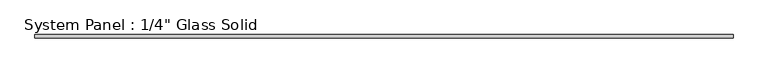
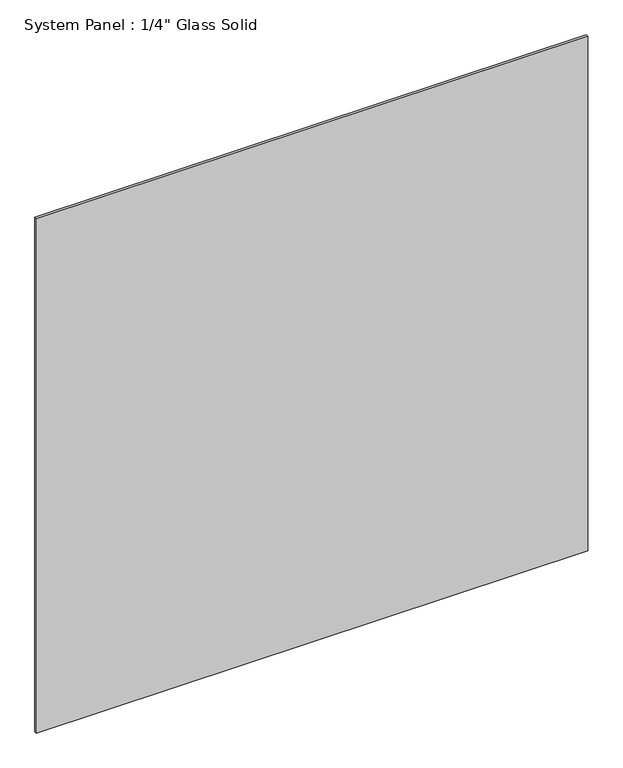
"""IFC4 building model written with IfcOpenShell, lengths in millimetres: plate geometry."""

from ifc_helpers import new_model, si_unit, origin, origin_with_axes, place, context, project, spatial, polyline, outline, extrude, source, transform, mapped, element, save


def plate_ef48edd5(model_context):
    return source(origin(), model_context, "Body", "SweptSolid", [
        extrude(outline(polyline([(716.4429024, -3.175), (-716.4429024, -3.175), (-716.4429024, 3.175), (716.4429024, 3.175), (716.4429024, -3.175)])), origin_with_axes(), (0.0, 0.0, 1.0), 1412.7661731),
    ])


if __name__ == "__main__":
    model = new_model("IFC4")
    model_context = context("Model", 3, world=origin())
    ifc_project = project(units=[si_unit("LENGTHUNIT", "METRE", prefix="MILLI")], contexts=[model_context])
    site = spatial("IfcSite", under=ifc_project)
    building = spatial("IfcBuilding", under=site)
    placement = place(None, origin())
    plate_shape = plate_ef48edd5(model_context)
    element("IfcPlate", 1, ObjectType="System Panel : 1/4\" Glass Solid", at=placement, inside=building, context=model_context, shape_type="MappedRepresentation", body=[
        mapped(plate_shape, transform((0.0, 0.0, 0.0), x_axis=(1.0, 0.0, 0.0), y_axis=(0.0, 1.0, 0.0), z_axis=(0.0, 0.0, 1.0))),
    ])
    save(model, "model.ifc")
